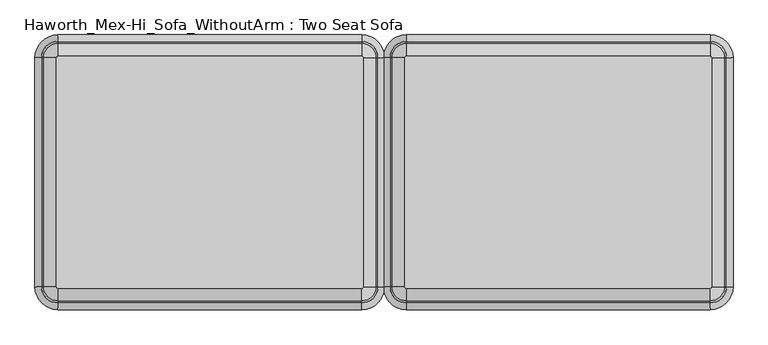
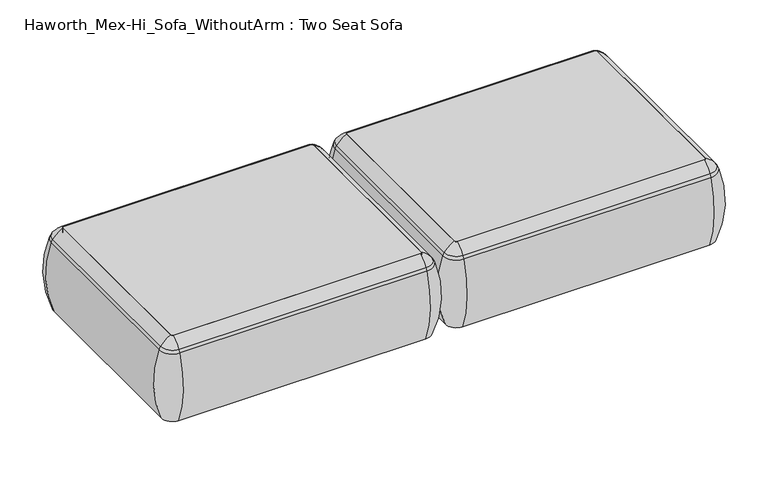
"""IFC4 building model written with IfcOpenShell, lengths in millimetres: furniture geometry, Haworth_Mex-Hi_Sofa_WithoutArm : Two Seat Sofa."""

from ifc_helpers import new_model, si_unit, point, frame, frame_2d, origin, place, context, project, spatial, polyline, circle_curve, ellipse_curve, trimmed, segment, composite_curve, outline, extrude, source, transform, mapped, element, save
from ifc_brep_helpers import plane_surface, cylinder_surface, revolved_surface, advanced_brep


def haworth_mex_hi_sofa_withoutarm_two_seat_sofa_d5e577bb(model_context):
    return source(origin(), model_context, "Body", "SolidModel", [
        advanced_brep(
        [(-103.5651735, -680.3856623, 390.3914007), (-98.2853663, -685.6654695, 390.3914007), (-98.2853663, -685.6654695, 123.9999984), (-103.5651735, -680.3856623, 123.9999984), (-132.2532177, -680.3856623, 123.9999984), (-98.2853663, -714.3535137, 123.9999984), (-98.2853663, -722.0329787, 353.7769053), (-139.9326827, -680.3856623, 353.7769053), (-103.5651735, -92.2092577, 123.9999984), (-103.5651735, -92.2092577, 390.3914007), (-139.9326827, -92.2092577, 353.7769053), (-132.2532177, -92.2092577, 123.9999984), (-98.2853663, -86.9294504, 390.3914007), (-98.2853663, -86.9294504, 123.9999984), (-98.2853663, -58.2414063, 123.9999984), (-98.2853663, -50.5619412, 353.7769053), (681.4946337, -86.9294504, 123.9999984), (681.4946337, -86.9294504, 390.3914007), (681.4946337, -50.5619412, 353.7769053), (681.4946337, -58.2414063, 123.9999984), (686.774441, -92.2092577, 390.3914007), (686.774441, -92.2092577, 123.9999984), (715.4624852, -92.2092577, 123.9999984), (723.1419502, -92.2092577, 353.7769053), (686.774441, -680.3856623, 123.9999984), (686.774441, -680.3856623, 390.3914007), (723.1419502, -680.3856623, 353.7769053), (715.4624852, -680.3856623, 123.9999984), (681.4946337, -685.6654695, 390.3914007), (681.4946337, -685.6654695, 123.9999984), (681.4946337, -714.3535137, 123.9999984), (681.4946337, -722.0329787, 353.7769053), (-134.7142228, -680.3856623, 363.6402875), (-98.2853663, -716.8145188, 363.6402875), (-134.7142228, -92.2092577, 363.6402875), (-98.2853663, -55.7804011, 363.6402875), (681.4946337, -55.7804011, 363.6402875), (717.9234903, -92.2092577, 363.6402875), (717.9234903, -680.3856623, 363.6402875), (681.4946337, -716.8145188, 363.6402875)],
        [
            (0, 1, circle_curve(frame((-98.2853663, -680.3856623, 390.3914007), z_axis=(0.0, 0.0, 1.0), x_axis=(0.0, -1.0, 0.0)), 5.2798073)),
            (1, 2),
            (2, 3, circle_curve(frame((-98.2853663, -680.3856623, 123.9999984), z_axis=(0.0, 0.0, -1.0), x_axis=(0.0, -1.0, 0.0)), 5.2798073)),
            (3, 0),
            (4, 5, circle_curve(frame((-98.2853663, -680.3856623, 123.9999984), z_axis=(0.0, 0.0, 1.0), x_axis=(0.0, -1.0, 0.0)), 33.9678514)),
            (5, 6, circle_curve(frame((-98.2853663, -417.9792297, 248.9220234), z_axis=(-1.0, 0.0, 0.0), x_axis=(0.0, -1.0, 0.0)), 321.625914)),
            (6, 7, circle_curve(frame((-98.2853663, -680.3856623, 353.7769053), z_axis=(0.0, 0.0, -1.0), x_axis=(0.0, -1.0, 0.0)), 41.6473165)),
            (7, 4, circle_curve(frame((164.1210663, -680.3856623, 248.9220234), z_axis=(0.0, -1.0, 0.0), x_axis=(-1.0, 0.0, 0.0)), 321.625914)),
            (3, 8),
            (8, 9),
            (9, 0),
            (7, 10),
            (10, 11, circle_curve(frame((164.1210663, -92.2092577, 248.9220234), z_axis=(0.0, -1.0, 0.0), x_axis=(-1.0, 0.0, 0.0)), 321.625914)),
            (11, 4),
            (12, 9, circle_curve(frame((-98.2853663, -92.2092577, 390.3914007), z_axis=(0.0, 0.0, 1.0), x_axis=(-1.0, 0.0, 0.0)), 5.2798073)),
            (8, 13, circle_curve(frame((-98.2853663, -92.2092577, 123.9999984), z_axis=(0.0, 0.0, -1.0), x_axis=(-1.0, 0.0, 0.0)), 5.2798073)),
            (13, 12),
            (14, 11, circle_curve(frame((-98.2853663, -92.2092577, 123.9999984), z_axis=(0.0, 0.0, 1.0), x_axis=(-1.0, 0.0, 0.0)), 33.9678514)),
            (10, 15, circle_curve(frame((-98.2853663, -92.2092577, 353.7769053), z_axis=(0.0, 0.0, -1.0), x_axis=(-1.0, 0.0, 0.0)), 41.6473165)),
            (15, 14, circle_curve(frame((-98.2853663, -354.6156902, 248.9220234), z_axis=(-1.0, 0.0, 0.0), x_axis=(0.0, 1.0, 0.0)), 321.625914)),
            (13, 16),
            (16, 17),
            (17, 12),
            (15, 18),
            (18, 19, circle_curve(frame((681.4946337, -354.6156902, 248.9220234), z_axis=(-1.0, 0.0, 0.0), x_axis=(0.0, 1.0, 0.0)), 321.625914)),
            (19, 14),
            (20, 17, circle_curve(frame((681.4946337, -92.2092577, 390.3914007), z_axis=(0.0, 0.0, 1.0), x_axis=(0.0, 1.0, 0.0)), 5.2798073)),
            (16, 21, circle_curve(frame((681.4946337, -92.2092577, 123.9999984), z_axis=(0.0, 0.0, -1.0), x_axis=(0.0, 1.0, 0.0)), 5.2798073)),
            (21, 20),
            (22, 19, circle_curve(frame((681.4946337, -92.2092577, 123.9999984), z_axis=(0.0, 0.0, 1.0), x_axis=(0.0, 1.0, 0.0)), 33.9678514)),
            (18, 23, circle_curve(frame((681.4946337, -92.2092577, 353.7769053), z_axis=(0.0, 0.0, -1.0), x_axis=(0.0, 1.0, 0.0)), 41.6473165)),
            (23, 22, circle_curve(frame((419.0882012, -92.2092577, 248.9220234), z_axis=(0.0, 1.0, 0.0), x_axis=(1.0, 0.0, 0.0)), 321.625914)),
            (21, 24),
            (24, 25),
            (25, 20),
            (23, 26),
            (26, 27, circle_curve(frame((419.0882012, -680.3856623, 248.9220234), z_axis=(0.0, 1.0, 0.0), x_axis=(1.0, 0.0, 0.0)), 321.625914)),
            (27, 22),
            (28, 25, circle_curve(frame((681.4946337, -680.3856623, 390.3914007), z_axis=(0.0, 0.0, 1.0), x_axis=(1.0, 0.0, 0.0)), 5.2798073)),
            (24, 29, circle_curve(frame((681.4946337, -680.3856623, 123.9999984), z_axis=(0.0, 0.0, -1.0), x_axis=(1.0, 0.0, 0.0)), 5.2798073)),
            (29, 28),
            (30, 27, circle_curve(frame((681.4946337, -680.3856623, 123.9999984), z_axis=(0.0, 0.0, 1.0), x_axis=(1.0, 0.0, 0.0)), 33.9678514)),
            (26, 31, circle_curve(frame((681.4946337, -680.3856623, 353.7769053), z_axis=(0.0, 0.0, -1.0), x_axis=(1.0, 0.0, 0.0)), 41.6473165)),
            (31, 30, circle_curve(frame((681.4946337, -417.9792297, 248.9220234), z_axis=(1.0, 0.0, 0.0), x_axis=(0.0, -1.0, 0.0)), 321.625914)),
            (30, 5),
            (2, 29),
            (1, 28),
            (31, 6),
            (32, 33, circle_curve(frame((-98.2853663, -680.3856623, 363.6402875), z_axis=(0.0, 0.0, 1.0), x_axis=(0.0, -1.0, 0.0)), 36.4288566)),
            (33, 1, circle_curve(frame((-98.2853663, -641.43285, 307.3762868), z_axis=(-1.0, 0.0, 0.0), x_axis=(0.0, -1.0, 0.0)), 94.0639876)),
            (0, 32, circle_curve(frame((-59.332554, -680.3856623, 307.3762868), z_axis=(0.0, -1.0, 0.0), x_axis=(-1.0, 0.0, 0.0)), 94.0639876)),
            (6, 33, circle_curve(frame((-98.2853663, -687.7682596, 341.9604975), z_axis=(-1.0, 0.0, 0.0), x_axis=(0.0, -1.0, 0.0)), 36.2449785)),
            (32, 7, circle_curve(frame((-105.6679637, -680.3856623, 341.9604975), z_axis=(0.0, -1.0, 0.0), x_axis=(-1.0, 0.0, 0.0)), 36.2449785)),
            (9, 34, circle_curve(frame((-59.332554, -92.2092577, 307.3762868), z_axis=(0.0, -1.0, 0.0), x_axis=(-1.0, 0.0, 0.0)), 94.0639876)),
            (34, 32),
            (34, 10, circle_curve(frame((-105.6679637, -92.2092577, 341.9604975), z_axis=(0.0, -1.0, 0.0), x_axis=(-1.0, 0.0, 0.0)), 36.2449785)),
            (35, 34, circle_curve(frame((-98.2853663, -92.2092577, 363.6402875), z_axis=(0.0, 0.0, 1.0), x_axis=(-1.0, 0.0, 0.0)), 36.4288566)),
            (12, 35, circle_curve(frame((-98.2853663, -131.1620699, 307.3762868), z_axis=(-1.0, 0.0, 0.0), x_axis=(0.0, 1.0, 0.0)), 94.0639876)),
            (35, 15, circle_curve(frame((-98.2853663, -84.8266603, 341.9604975), z_axis=(-1.0, 0.0, 0.0), x_axis=(0.0, 1.0, 0.0)), 36.2449785)),
            (17, 36, circle_curve(frame((681.4946337, -131.1620699, 307.3762868), z_axis=(-1.0, 0.0, 0.0), x_axis=(0.0, 1.0, 0.0)), 94.0639876)),
            (36, 35),
            (36, 18, circle_curve(frame((681.4946337, -84.8266603, 341.9604975), z_axis=(-1.0, 0.0, 0.0), x_axis=(0.0, 1.0, 0.0)), 36.2449785)),
            (37, 36, circle_curve(frame((681.4946337, -92.2092577, 363.6402875), z_axis=(0.0, 0.0, 1.0), x_axis=(0.0, 1.0, 0.0)), 36.4288566)),
            (20, 37, circle_curve(frame((642.5418215, -92.2092577, 307.3762868), z_axis=(0.0, 1.0, 0.0), x_axis=(1.0, 0.0, 0.0)), 94.0639876)),
            (37, 23, circle_curve(frame((688.8772311, -92.2092577, 341.9604975), z_axis=(0.0, 1.0, 0.0), x_axis=(1.0, 0.0, 0.0)), 36.2449785)),
            (25, 38, circle_curve(frame((642.5418215, -680.3856623, 307.3762868), z_axis=(0.0, 1.0, 0.0), x_axis=(1.0, 0.0, 0.0)), 94.0639876)),
            (38, 37),
            (38, 26, circle_curve(frame((688.8772311, -680.3856623, 341.9604975), z_axis=(0.0, 1.0, 0.0), x_axis=(1.0, 0.0, 0.0)), 36.2449785)),
            (39, 38, circle_curve(frame((681.4946337, -680.3856623, 363.6402875), z_axis=(0.0, 0.0, 1.0), x_axis=(1.0, 0.0, 0.0)), 36.4288566)),
            (28, 39, circle_curve(frame((681.4946337, -641.43285, 307.3762868), z_axis=(1.0, 0.0, 0.0), x_axis=(0.0, -1.0, 0.0)), 94.0639876)),
            (39, 31, circle_curve(frame((681.4946337, -687.7682596, 341.9604975), z_axis=(1.0, 0.0, 0.0), x_axis=(0.0, -1.0, 0.0)), 36.2449785)),
            (33, 39),
        ],
        [
            revolved_surface(polyline([(-98.2853663, -685.6654696, 123.9999984), (-98.2853663, -685.6654696, 390.3914007)]), (-98.2853663, -680.3856623, 0.0), (0.0, 0.0, -1.0)),
            revolved_surface(trimmed(ellipse_curve(frame((-98.2853663, -417.9792297, 248.9220234), z_axis=(1.0, 0.0, 0.0), x_axis=(0.0, -1.0, 0.0)), 321.625914, 321.625914), [point((-98.2853663, -722.0329787, 353.7769053))], [point((-98.2853663, -714.3535137, 123.9999984))], True, "CARTESIAN"), (-98.2853663, -680.3856623, 0.0), (0.0, 0.0, -1.0)),
            plane_surface(frame((-103.5651735, -680.3856623, 123.9999984), z_axis=(1.0, 0.0, 0.0), x_axis=(0.0, 1.0, 0.0))),
            cylinder_surface(frame((164.1210663, -680.3856623, 248.9220234), z_axis=(0.0, -1.0, 0.0), x_axis=(-1.0, 0.0, 0.0)), 321.625914),
            revolved_surface(polyline([(-103.56517360000001, -92.2092577, 123.9999984), (-103.56517360000001, -92.2092577, 390.3914007)]), (-98.2853663, -92.2092577, 0.0), (0.0, 0.0, -1.0)),
            revolved_surface(trimmed(ellipse_curve(frame((164.1210663, -92.2092577, 248.9220234), z_axis=(0.0, -1.0, 0.0), x_axis=(-1.0, 0.0, 0.0)), 321.625914, 321.625914), [point((-139.9326827, -92.2092577, 353.7769053))], [point((-132.2532177, -92.2092577, 123.9999984))], True, "CARTESIAN"), (-98.2853663, -92.2092577, 0.0), (0.0, 0.0, -1.0)),
            plane_surface(frame((-98.2853663, -86.9294504, 123.9999984), z_axis=(0.0, -1.0, 0.0), x_axis=(1.0, 0.0, 0.0))),
            cylinder_surface(frame((-98.2853663, -354.6156902, 248.9220234), z_axis=(-1.0, 0.0, 0.0), x_axis=(0.0, 1.0, 0.0)), 321.625914),
            revolved_surface(polyline([(681.4946337, -86.9294504, 123.9999984), (681.4946337, -86.9294504, 390.3914007)]), (681.4946337, -92.2092577, 0.0), (0.0, 0.0, -1.0)),
            revolved_surface(trimmed(ellipse_curve(frame((681.4946337, -354.6156902, 248.9220234), z_axis=(-1.0, 0.0, 0.0), x_axis=(0.0, 1.0, 0.0)), 321.625914, 321.625914), [point((681.4946337, -50.5619412, 353.7769053))], [point((681.4946337, -58.2414063, 123.9999984))], True, "CARTESIAN"), (681.4946337, -92.2092577, 0.0), (0.0, 0.0, -1.0)),
            plane_surface(frame((686.774441, -92.2092577, 123.9999984), z_axis=(-1.0, 0.0, 0.0), x_axis=(0.0, -1.0, 0.0))),
            cylinder_surface(frame((419.0882012, -92.2092577, 248.9220234), z_axis=(0.0, 1.0, 0.0), x_axis=(1.0, 0.0, 0.0)), 321.625914),
            revolved_surface(polyline([(686.774441, -680.3856623, 123.9999984), (686.774441, -680.3856623, 390.3914007)]), (681.4946337, -680.3856623, 0.0), (0.0, 0.0, -1.0)),
            revolved_surface(trimmed(ellipse_curve(frame((419.0882012, -680.3856623, 248.9220234), z_axis=(0.0, 1.0, 0.0), x_axis=(1.0, 0.0, 0.0)), 321.625914, 321.625914), [point((723.1419502, -680.3856623, 353.7769053))], [point((715.4624852, -680.3856623, 123.9999984))], True, "CARTESIAN"), (681.4946337, -680.3856623, 0.0), (0.0, 0.0, -1.0)),
            plane_surface(frame((681.4946337, -714.3535137, 123.9999984), z_axis=(0.0, 0.0, -1.0), x_axis=(-1.0, 0.0, 0.0))),
            plane_surface(frame((681.4946337, -685.6654695, 123.9999984), z_axis=(0.0, 1.0, 0.0), x_axis=(-1.0, 0.0, 0.0))),
            cylinder_surface(frame((681.4946337, -417.9792297, 248.9220234), z_axis=(1.0, 0.0, 0.0), x_axis=(0.0, -1.0, 0.0)), 321.625914),
            revolved_surface(trimmed(ellipse_curve(frame((-98.2853663, -641.43285, 307.3762868), z_axis=(1.0, 0.0, 0.0), x_axis=(0.0, -1.0, 0.0)), 94.0639876, 94.0639876), [point((-98.2853663, -685.6654695, 390.3914007))], [point((-98.2853663, -716.8145188, 363.6402875))], True, "CARTESIAN"), (-98.2853663, -680.3856623, 0.0), (0.0, 0.0, -1.0)),
            revolved_surface(trimmed(ellipse_curve(frame((-98.2853663, -687.7682596, 341.9604975), z_axis=(1.0, 0.0, 0.0), x_axis=(0.0, -1.0, 0.0)), 36.2449785, 36.2449785), [point((-98.2853663, -716.8145188, 363.6402875))], [point((-98.2853663, -722.0329787, 353.7769053))], True, "CARTESIAN"), (-98.2853663, -680.3856623, 0.0), (0.0, 0.0, -1.0)),
            cylinder_surface(frame((-59.332554, -680.3856623, 307.3762868), z_axis=(0.0, -1.0, 0.0), x_axis=(-1.0, 0.0, 0.0)), 94.0639876),
            cylinder_surface(frame((-105.6679637, -680.3856623, 341.9604975), z_axis=(0.0, -1.0, 0.0), x_axis=(-1.0, 0.0, 0.0)), 36.2449785),
            revolved_surface(trimmed(ellipse_curve(frame((-59.332554, -92.2092577, 307.3762868), z_axis=(0.0, -1.0, 0.0), x_axis=(-1.0, 0.0, 0.0)), 94.0639876, 94.0639876), [point((-103.5651735, -92.2092577, 390.3914007))], [point((-134.7142228, -92.2092577, 363.6402875))], True, "CARTESIAN"), (-98.2853663, -92.2092577, 0.0), (0.0, 0.0, -1.0)),
            revolved_surface(trimmed(ellipse_curve(frame((-105.6679637, -92.2092577, 341.9604975), z_axis=(0.0, -1.0, 0.0), x_axis=(-1.0, 0.0, 0.0)), 36.2449785, 36.2449785), [point((-134.7142228, -92.2092577, 363.6402875))], [point((-139.9326827, -92.2092577, 353.7769053))], True, "CARTESIAN"), (-98.2853663, -92.2092577, 0.0), (0.0, 0.0, -1.0)),
            cylinder_surface(frame((-98.2853663, -131.1620699, 307.3762868), z_axis=(-1.0, 0.0, 0.0), x_axis=(0.0, 1.0, 0.0)), 94.0639876),
            cylinder_surface(frame((-98.2853663, -84.8266603, 341.9604975), z_axis=(-1.0, 0.0, 0.0), x_axis=(0.0, 1.0, 0.0)), 36.2449785),
            revolved_surface(trimmed(ellipse_curve(frame((681.4946337, -131.1620699, 307.3762868), z_axis=(-1.0, 0.0, 0.0), x_axis=(0.0, 1.0, 0.0)), 94.0639876, 94.0639876), [point((681.4946337, -86.9294504, 390.3914007))], [point((681.4946337, -55.7804011, 363.6402875))], True, "CARTESIAN"), (681.4946337, -92.2092577, 0.0), (0.0, 0.0, -1.0)),
            revolved_surface(trimmed(ellipse_curve(frame((681.4946337, -84.8266603, 341.9604975), z_axis=(-1.0, 0.0, 0.0), x_axis=(0.0, 1.0, 0.0)), 36.2449785, 36.2449785), [point((681.4946337, -55.7804011, 363.6402875))], [point((681.4946337, -50.5619412, 353.7769053))], True, "CARTESIAN"), (681.4946337, -92.2092577, 0.0), (0.0, 0.0, -1.0)),
            cylinder_surface(frame((642.5418215, -92.2092577, 307.3762868), z_axis=(0.0, 1.0, 0.0), x_axis=(1.0, 0.0, 0.0)), 94.0639876),
            cylinder_surface(frame((688.8772311, -92.2092577, 341.9604975), z_axis=(0.0, 1.0, 0.0), x_axis=(1.0, 0.0, 0.0)), 36.2449785),
            revolved_surface(trimmed(ellipse_curve(frame((642.5418215, -680.3856623, 307.3762868), z_axis=(0.0, 1.0, 0.0), x_axis=(1.0, 0.0, 0.0)), 94.0639876, 94.0639876), [point((686.774441, -680.3856623, 390.3914007))], [point((717.9234903, -680.3856623, 363.6402875))], True, "CARTESIAN"), (681.4946337, -680.3856623, 0.0), (0.0, 0.0, -1.0)),
            revolved_surface(trimmed(ellipse_curve(frame((688.8772311, -680.3856623, 341.9604975), z_axis=(0.0, 1.0, 0.0), x_axis=(1.0, 0.0, 0.0)), 36.2449785, 36.2449785), [point((717.9234903, -680.3856623, 363.6402875))], [point((723.1419502, -680.3856623, 353.7769053))], True, "CARTESIAN"), (681.4946337, -680.3856623, 0.0), (0.0, 0.0, -1.0)),
            cylinder_surface(frame((681.4946337, -641.43285, 307.3762868), z_axis=(1.0, 0.0, 0.0), x_axis=(0.0, -1.0, 0.0)), 94.0639876),
            cylinder_surface(frame((681.4946337, -687.7682596, 341.9604975), z_axis=(1.0, 0.0, 0.0), x_axis=(0.0, -1.0, 0.0)), 36.2449785),
        ],
        [
            (0, [[1, 2, 3, 4]]),
            (1, [[5, 6, 7, 8]]),
            (2, [[-4, 9, 10, 11]]),
            (3, [[-8, 12, 13, 14]]),
            (4, [[15, -10, 16, 17]]),
            (5, [[18, -13, 19, 20]]),
            (6, [[-17, 21, 22, 23]]),
            (7, [[-20, 24, 25, 26]]),
            (8, [[27, -22, 28, 29]]),
            (9, [[30, -25, 31, 32]]),
            (10, [[-29, 33, 34, 35]]),
            (11, [[-32, 36, 37, 38]]),
            (12, [[39, -34, 40, 41]]),
            (13, [[42, -37, 43, 44]]),
            (14, [[-38, -42, 45, -5, -14, -18, -26, -30], [46, -40, -33, -28, -21, -16, -9, -3]]),
            (15, [[-41, -46, -2, 47]]),
            (16, [[-44, 48, -6, -45]]),
            (17, [[49, 50, -1, 51]]),
            (18, [[-7, 52, -49, 53]]),
            (19, [[-51, -11, 54, 55]]),
            (20, [[-53, -55, 56, -12]]),
            (21, [[57, -54, -15, 58]]),
            (22, [[-19, -56, -57, 59]]),
            (23, [[-58, -23, 60, 61]]),
            (24, [[-59, -61, 62, -24]]),
            (25, [[63, -60, -27, 64]]),
            (26, [[-31, -62, -63, 65]]),
            (27, [[-64, -35, 66, 67]]),
            (28, [[-65, -67, 68, -36]]),
            (29, [[69, -66, -39, 70]]),
            (30, [[-43, -68, -69, 71]]),
            (31, [[-70, -47, -50, 72]]),
            (32, [[-71, -72, -52, -48]]),
        ],
    ),
        extrude(outline(composite_curve([segment(trimmed(circle_curve(frame_2d((681.4946337, -680.3856623)), 5.2798073), [point((686.774441, -680.3856623))], [point((681.4946337, -685.6654695))], False, "CARTESIAN"), True, "CONTINUOUS"), segment(polyline([(681.4946337, -685.6654695), (-98.2853663, -685.6654695)]), True, "CONTINUOUS"), segment(trimmed(circle_curve(frame_2d((-98.2853663, -680.3856623)), 5.2798073), [point((-98.2853663, -685.6654695))], [point((-103.5651735, -680.3856623))], False, "CARTESIAN"), True, "CONTINUOUS"), segment(polyline([(-103.5651735, -680.3856623), (-103.5651735, -92.2092577)]), True, "CONTINUOUS"), segment(trimmed(circle_curve(frame_2d((-98.2853663, -92.2092577)), 5.2798073), [point((-103.5651735, -92.2092577))], [point((-98.2853663, -86.9294504))], False, "CARTESIAN"), True, "CONTINUOUS"), segment(polyline([(-98.2853663, -86.9294504), (681.4946337, -86.9294504)]), True, "CONTINUOUS"), segment(trimmed(circle_curve(frame_2d((681.4946337, -92.2092577)), 5.2798073), [point((681.4946337, -86.9294504))], [point((686.774441, -92.2092577))], False, "CARTESIAN"), True, "CONTINUOUS"), segment(polyline([(686.774441, -92.2092577), (686.774441, -680.3856623)]), True, "CONTINUOUS")], self_intersect=False)), frame((0.0, 0.0, 123.9999984), z_axis=(0.0, 0.0, 1.0), x_axis=(1.0, 0.0, 0.0)), (0.0, 0.0, 1.0), 266.3914023),
        advanced_brep(
        [(-997.6650173, -680.3856623, 390.3914007), (-992.38521, -685.6654695, 390.3914007), (-992.38521, -685.6654695, 123.9999984), (-997.6650173, -680.3856623, 123.9999984), (-1026.3530615, -680.3856623, 123.9999984), (-992.38521, -714.3535137, 123.9999984), (-992.38521, -722.0329787, 353.7769053), (-1034.0325265, -680.3856623, 353.7769053), (-997.6650173, -92.2092577, 123.9999984), (-997.6650173, -92.2092577, 390.3914007), (-1034.0325265, -92.2092577, 353.7769053), (-1026.3530615, -92.2092577, 123.9999984), (-992.38521, -86.9294504, 390.3914007), (-992.38521, -86.9294504, 123.9999984), (-992.38521, -58.2414063, 123.9999984), (-992.38521, -50.5619412, 353.7769053), (-212.60521, -86.9294504, 123.9999984), (-212.60521, -86.9294504, 390.3914007), (-212.60521, -50.5619412, 353.7769053), (-212.60521, -58.2414063, 123.9999984), (-207.3254028, -92.2092577, 390.3914007), (-207.3254028, -92.2092577, 123.9999984), (-178.6373586, -92.2092577, 123.9999984), (-170.9578936, -92.2092577, 353.7769053), (-207.3254028, -680.3856623, 123.9999984), (-207.3254028, -680.3856623, 390.3914007), (-170.9578936, -680.3856623, 353.7769053), (-178.6373586, -680.3856623, 123.9999984), (-212.60521, -685.6654695, 390.3914007), (-212.60521, -685.6654695, 123.9999984), (-212.60521, -714.3535137, 123.9999984), (-212.60521, -722.0329787, 353.7769053), (-1028.8140666, -680.3856623, 363.6402875), (-992.38521, -716.8145188, 363.6402875), (-1028.8140666, -92.2092577, 363.6402875), (-992.38521, -55.7804011, 363.6402875), (-212.60521, -55.7804011, 363.6402875), (-176.1763535, -92.2092577, 363.6402875), (-176.1763535, -680.3856623, 363.6402875), (-212.60521, -716.8145188, 363.6402875)],
        [
            (0, 1, circle_curve(frame((-992.38521, -680.3856623, 390.3914007), z_axis=(0.0, 0.0, 1.0), x_axis=(0.0, -1.0, 0.0)), 5.2798073)),
            (1, 2),
            (2, 3, circle_curve(frame((-992.38521, -680.3856623, 123.9999984), z_axis=(0.0, 0.0, -1.0), x_axis=(0.0, -1.0, 0.0)), 5.2798073)),
            (3, 0),
            (4, 5, circle_curve(frame((-992.38521, -680.3856623, 123.9999984), z_axis=(0.0, 0.0, 1.0), x_axis=(0.0, -1.0, 0.0)), 33.9678514)),
            (5, 6, circle_curve(frame((-992.38521, -417.9792297, 248.9220234), z_axis=(-1.0, 0.0, 0.0), x_axis=(0.0, -1.0, 0.0)), 321.625914)),
            (6, 7, circle_curve(frame((-992.38521, -680.3856623, 353.7769053), z_axis=(0.0, 0.0, -1.0), x_axis=(0.0, -1.0, 0.0)), 41.6473165)),
            (7, 4, circle_curve(frame((-729.9787775, -680.3856623, 248.9220234), z_axis=(0.0, -1.0, 0.0), x_axis=(-1.0, 0.0, 0.0)), 321.625914)),
            (3, 8),
            (8, 9),
            (9, 0),
            (7, 10),
            (10, 11, circle_curve(frame((-729.9787775, -92.2092577, 248.9220234), z_axis=(0.0, -1.0, 0.0), x_axis=(-1.0, 0.0, 0.0)), 321.625914)),
            (11, 4),
            (12, 9, circle_curve(frame((-992.38521, -92.2092577, 390.3914007), z_axis=(0.0, 0.0, 1.0), x_axis=(-1.0, 0.0, 0.0)), 5.2798073)),
            (8, 13, circle_curve(frame((-992.38521, -92.2092577, 123.9999984), z_axis=(0.0, 0.0, -1.0), x_axis=(-1.0, 0.0, 0.0)), 5.2798073)),
            (13, 12),
            (14, 11, circle_curve(frame((-992.38521, -92.2092577, 123.9999984), z_axis=(0.0, 0.0, 1.0), x_axis=(-1.0, 0.0, 0.0)), 33.9678514)),
            (10, 15, circle_curve(frame((-992.38521, -92.2092577, 353.7769053), z_axis=(0.0, 0.0, -1.0), x_axis=(-1.0, 0.0, 0.0)), 41.6473165)),
            (15, 14, circle_curve(frame((-992.38521, -354.6156902, 248.9220234), z_axis=(-1.0, 0.0, 0.0), x_axis=(0.0, 1.0, 0.0)), 321.625914)),
            (13, 16),
            (16, 17),
            (17, 12),
            (15, 18),
            (18, 19, circle_curve(frame((-212.60521, -354.6156902, 248.9220234), z_axis=(-1.0, 0.0, 0.0), x_axis=(0.0, 1.0, 0.0)), 321.625914)),
            (19, 14),
            (20, 17, circle_curve(frame((-212.60521, -92.2092577, 390.3914007), z_axis=(0.0, 0.0, 1.0), x_axis=(0.0, 1.0, 0.0)), 5.2798073)),
            (16, 21, circle_curve(frame((-212.60521, -92.2092577, 123.9999984), z_axis=(0.0, 0.0, -1.0), x_axis=(0.0, 1.0, 0.0)), 5.2798073)),
            (21, 20),
            (22, 19, circle_curve(frame((-212.60521, -92.2092577, 123.9999984), z_axis=(0.0, 0.0, 1.0), x_axis=(0.0, 1.0, 0.0)), 33.9678514)),
            (18, 23, circle_curve(frame((-212.60521, -92.2092577, 353.7769053), z_axis=(0.0, 0.0, -1.0), x_axis=(0.0, 1.0, 0.0)), 41.6473165)),
            (23, 22, circle_curve(frame((-475.0116426, -92.2092577, 248.9220234), z_axis=(0.0, 1.0, 0.0), x_axis=(1.0, 0.0, 0.0)), 321.625914)),
            (21, 24),
            (24, 25),
            (25, 20),
            (23, 26),
            (26, 27, circle_curve(frame((-475.0116426, -680.3856623, 248.9220234), z_axis=(0.0, 1.0, 0.0), x_axis=(1.0, 0.0, 0.0)), 321.625914)),
            (27, 22),
            (28, 25, circle_curve(frame((-212.60521, -680.3856623, 390.3914007), z_axis=(0.0, 0.0, 1.0), x_axis=(1.0, 0.0, 0.0)), 5.2798073)),
            (24, 29, circle_curve(frame((-212.60521, -680.3856623, 123.9999984), z_axis=(0.0, 0.0, -1.0), x_axis=(1.0, 0.0, 0.0)), 5.2798073)),
            (29, 28),
            (30, 27, circle_curve(frame((-212.60521, -680.3856623, 123.9999984), z_axis=(0.0, 0.0, 1.0), x_axis=(1.0, 0.0, 0.0)), 33.9678514)),
            (26, 31, circle_curve(frame((-212.60521, -680.3856623, 353.7769053), z_axis=(0.0, 0.0, -1.0), x_axis=(1.0, 0.0, 0.0)), 41.6473165)),
            (31, 30, circle_curve(frame((-212.60521, -417.9792297, 248.9220234), z_axis=(1.0, 0.0, 0.0), x_axis=(0.0, -1.0, 0.0)), 321.625914)),
            (30, 5),
            (2, 29),
            (1, 28),
            (31, 6),
            (32, 33, circle_curve(frame((-992.38521, -680.3856623, 363.6402875), z_axis=(0.0, 0.0, 1.0), x_axis=(0.0, -1.0, 0.0)), 36.4288566)),
            (33, 1, circle_curve(frame((-992.38521, -641.43285, 307.3762868), z_axis=(-1.0, 0.0, 0.0), x_axis=(0.0, -1.0, 0.0)), 94.0639876)),
            (0, 32, circle_curve(frame((-953.4323978, -680.3856623, 307.3762868), z_axis=(0.0, -1.0, 0.0), x_axis=(-1.0, 0.0, 0.0)), 94.0639876)),
            (6, 33, circle_curve(frame((-992.38521, -687.7682596, 341.9604975), z_axis=(-1.0, 0.0, 0.0), x_axis=(0.0, -1.0, 0.0)), 36.2449785)),
            (32, 7, circle_curve(frame((-999.7678074, -680.3856623, 341.9604975), z_axis=(0.0, -1.0, 0.0), x_axis=(-1.0, 0.0, 0.0)), 36.2449785)),
            (9, 34, circle_curve(frame((-953.4323978, -92.2092577, 307.3762868), z_axis=(0.0, -1.0, 0.0), x_axis=(-1.0, 0.0, 0.0)), 94.0639876)),
            (34, 32),
            (34, 10, circle_curve(frame((-999.7678074, -92.2092577, 341.9604975), z_axis=(0.0, -1.0, 0.0), x_axis=(-1.0, 0.0, 0.0)), 36.2449785)),
            (35, 34, circle_curve(frame((-992.38521, -92.2092577, 363.6402875), z_axis=(0.0, 0.0, 1.0), x_axis=(-1.0, 0.0, 0.0)), 36.4288566)),
            (12, 35, circle_curve(frame((-992.38521, -131.1620699, 307.3762868), z_axis=(-1.0, 0.0, 0.0), x_axis=(0.0, 1.0, 0.0)), 94.0639876)),
            (35, 15, circle_curve(frame((-992.38521, -84.8266603, 341.9604975), z_axis=(-1.0, 0.0, 0.0), x_axis=(0.0, 1.0, 0.0)), 36.2449785)),
            (17, 36, circle_curve(frame((-212.60521, -131.1620699, 307.3762868), z_axis=(-1.0, 0.0, 0.0), x_axis=(0.0, 1.0, 0.0)), 94.0639876)),
            (36, 35),
            (36, 18, circle_curve(frame((-212.60521, -84.8266603, 341.9604975), z_axis=(-1.0, 0.0, 0.0), x_axis=(0.0, 1.0, 0.0)), 36.2449785)),
            (37, 36, circle_curve(frame((-212.60521, -92.2092577, 363.6402875), z_axis=(0.0, 0.0, 1.0), x_axis=(0.0, 1.0, 0.0)), 36.4288566)),
            (20, 37, circle_curve(frame((-251.5580223, -92.2092577, 307.3762868), z_axis=(0.0, 1.0, 0.0), x_axis=(1.0, 0.0, 0.0)), 94.0639876)),
            (37, 23, circle_curve(frame((-205.2226126, -92.2092577, 341.9604975), z_axis=(0.0, 1.0, 0.0), x_axis=(1.0, 0.0, 0.0)), 36.2449785)),
            (25, 38, circle_curve(frame((-251.5580223, -680.3856623, 307.3762868), z_axis=(0.0, 1.0, 0.0), x_axis=(1.0, 0.0, 0.0)), 94.0639876)),
            (38, 37),
            (38, 26, circle_curve(frame((-205.2226126, -680.3856623, 341.9604975), z_axis=(0.0, 1.0, 0.0), x_axis=(1.0, 0.0, 0.0)), 36.2449785)),
            (39, 38, circle_curve(frame((-212.60521, -680.3856623, 363.6402875), z_axis=(0.0, 0.0, 1.0), x_axis=(1.0, 0.0, 0.0)), 36.4288566)),
            (28, 39, circle_curve(frame((-212.60521, -641.43285, 307.3762868), z_axis=(1.0, 0.0, 0.0), x_axis=(0.0, -1.0, 0.0)), 94.0639876)),
            (39, 31, circle_curve(frame((-212.60521, -687.7682596, 341.9604975), z_axis=(1.0, 0.0, 0.0), x_axis=(0.0, -1.0, 0.0)), 36.2449785)),
            (33, 39),
        ],
        [
            revolved_surface(polyline([(-992.38521, -685.6654696, 123.9999984), (-992.38521, -685.6654696, 390.3914007)]), (-992.38521, -680.3856623, 0.0), (0.0, 0.0, -1.0)),
            revolved_surface(trimmed(ellipse_curve(frame((-992.38521, -417.9792297, 248.9220234), z_axis=(1.0, 0.0, 0.0), x_axis=(0.0, -1.0, 0.0)), 321.625914, 321.625914), [point((-992.38521, -722.0329787, 353.7769053))], [point((-992.38521, -714.3535137, 123.9999984))], True, "CARTESIAN"), (-992.38521, -680.3856623, 0.0), (0.0, 0.0, -1.0)),
            plane_surface(frame((-997.6650173, -680.3856623, 123.9999984), z_axis=(1.0, 0.0, 0.0), x_axis=(0.0, 1.0, 0.0))),
            cylinder_surface(frame((-729.9787775, -680.3856623, 248.9220234), z_axis=(0.0, -1.0, 0.0), x_axis=(-1.0, 0.0, 0.0)), 321.625914),
            revolved_surface(polyline([(-997.6650173, -92.2092577, 123.9999984), (-997.6650173, -92.2092577, 390.3914007)]), (-992.38521, -92.2092577, 0.0), (0.0, 0.0, -1.0)),
            revolved_surface(trimmed(ellipse_curve(frame((-729.9787775, -92.2092577, 248.9220234), z_axis=(0.0, -1.0, 0.0), x_axis=(-1.0, 0.0, 0.0)), 321.625914, 321.625914), [point((-1034.0325265, -92.2092577, 353.7769053))], [point((-1026.3530615, -92.2092577, 123.9999984))], True, "CARTESIAN"), (-992.38521, -92.2092577, 0.0), (0.0, 0.0, -1.0)),
            plane_surface(frame((-992.38521, -86.9294504, 123.9999984), z_axis=(0.0, -1.0, 0.0), x_axis=(1.0, 0.0, 0.0))),
            cylinder_surface(frame((-992.38521, -354.6156902, 248.9220234), z_axis=(-1.0, 0.0, 0.0), x_axis=(0.0, 1.0, 0.0)), 321.625914),
            revolved_surface(polyline([(-212.60521, -86.9294504, 123.9999984), (-212.60521, -86.9294504, 390.3914007)]), (-212.60521, -92.2092577, 0.0), (0.0, 0.0, -1.0)),
            revolved_surface(trimmed(ellipse_curve(frame((-212.60521, -354.6156902, 248.9220234), z_axis=(-1.0, 0.0, 0.0), x_axis=(0.0, 1.0, 0.0)), 321.625914, 321.625914), [point((-212.60521, -50.5619412, 353.7769053))], [point((-212.60521, -58.2414063, 123.9999984))], True, "CARTESIAN"), (-212.60521, -92.2092577, 0.0), (0.0, 0.0, -1.0)),
            plane_surface(frame((-207.3254028, -92.2092577, 123.9999984), z_axis=(-1.0, 0.0, 0.0), x_axis=(0.0, -1.0, 0.0))),
            cylinder_surface(frame((-475.0116426, -92.2092577, 248.9220234), z_axis=(0.0, 1.0, 0.0), x_axis=(1.0, 0.0, 0.0)), 321.625914),
            revolved_surface(polyline([(-207.3254027, -680.3856623, 123.9999984), (-207.3254027, -680.3856623, 390.3914007)]), (-212.60521, -680.3856623, 0.0), (0.0, 0.0, -1.0)),
            revolved_surface(trimmed(ellipse_curve(frame((-475.0116426, -680.3856623, 248.9220234), z_axis=(0.0, 1.0, 0.0), x_axis=(1.0, 0.0, 0.0)), 321.625914, 321.625914), [point((-170.9578936, -680.3856623, 353.7769053))], [point((-178.6373586, -680.3856623, 123.9999984))], True, "CARTESIAN"), (-212.60521, -680.3856623, 0.0), (0.0, 0.0, -1.0)),
            plane_surface(frame((-212.60521, -714.3535137, 123.9999984), z_axis=(0.0, 0.0, -1.0), x_axis=(-1.0, 0.0, 0.0))),
            plane_surface(frame((-212.60521, -685.6654695, 123.9999984), z_axis=(0.0, 1.0, 0.0), x_axis=(-1.0, 0.0, 0.0))),
            cylinder_surface(frame((-212.60521, -417.9792297, 248.9220234), z_axis=(1.0, 0.0, 0.0), x_axis=(0.0, -1.0, 0.0)), 321.625914),
            revolved_surface(trimmed(ellipse_curve(frame((-992.38521, -641.43285, 307.3762868), z_axis=(1.0, 0.0, 0.0), x_axis=(0.0, -1.0, 0.0)), 94.0639876, 94.0639876), [point((-992.38521, -685.6654695, 390.3914007))], [point((-992.38521, -716.8145188, 363.6402875))], True, "CARTESIAN"), (-992.38521, -680.3856623, 0.0), (0.0, 0.0, -1.0)),
            revolved_surface(trimmed(ellipse_curve(frame((-992.38521, -687.7682596, 341.9604975), z_axis=(1.0, 0.0, 0.0), x_axis=(0.0, -1.0, 0.0)), 36.2449785, 36.2449785), [point((-992.38521, -716.8145188, 363.6402875))], [point((-992.38521, -722.0329787, 353.7769053))], True, "CARTESIAN"), (-992.38521, -680.3856623, 0.0), (0.0, 0.0, -1.0)),
            cylinder_surface(frame((-953.4323978, -680.3856623, 307.3762868), z_axis=(0.0, -1.0, 0.0), x_axis=(-1.0, 0.0, 0.0)), 94.0639876),
            cylinder_surface(frame((-999.7678074, -680.3856623, 341.9604975), z_axis=(0.0, -1.0, 0.0), x_axis=(-1.0, 0.0, 0.0)), 36.2449785),
            revolved_surface(trimmed(ellipse_curve(frame((-953.4323978, -92.2092577, 307.3762868), z_axis=(0.0, -1.0, 0.0), x_axis=(-1.0, 0.0, 0.0)), 94.0639876, 94.0639876), [point((-997.6650173, -92.2092577, 390.3914007))], [point((-1028.8140666, -92.2092577, 363.6402875))], True, "CARTESIAN"), (-992.38521, -92.2092577, 0.0), (0.0, 0.0, -1.0)),
            revolved_surface(trimmed(ellipse_curve(frame((-999.7678074, -92.2092577, 341.9604975), z_axis=(0.0, -1.0, 0.0), x_axis=(-1.0, 0.0, 0.0)), 36.2449785, 36.2449785), [point((-1028.8140666, -92.2092577, 363.6402875))], [point((-1034.0325265, -92.2092577, 353.7769053))], True, "CARTESIAN"), (-992.38521, -92.2092577, 0.0), (0.0, 0.0, -1.0)),
            cylinder_surface(frame((-992.38521, -131.1620699, 307.3762868), z_axis=(-1.0, 0.0, 0.0), x_axis=(0.0, 1.0, 0.0)), 94.0639876),
            cylinder_surface(frame((-992.38521, -84.8266603, 341.9604975), z_axis=(-1.0, 0.0, 0.0), x_axis=(0.0, 1.0, 0.0)), 36.2449785),
            revolved_surface(trimmed(ellipse_curve(frame((-212.60521, -131.1620699, 307.3762868), z_axis=(-1.0, 0.0, 0.0), x_axis=(0.0, 1.0, 0.0)), 94.0639876, 94.0639876), [point((-212.60521, -86.9294504, 390.3914007))], [point((-212.60521, -55.7804011, 363.6402875))], True, "CARTESIAN"), (-212.60521, -92.2092577, 0.0), (0.0, 0.0, -1.0)),
            revolved_surface(trimmed(ellipse_curve(frame((-212.60521, -84.8266603, 341.9604975), z_axis=(-1.0, 0.0, 0.0), x_axis=(0.0, 1.0, 0.0)), 36.2449785, 36.2449785), [point((-212.60521, -55.7804011, 363.6402875))], [point((-212.60521, -50.5619412, 353.7769053))], True, "CARTESIAN"), (-212.60521, -92.2092577, 0.0), (0.0, 0.0, -1.0)),
            cylinder_surface(frame((-251.5580223, -92.2092577, 307.3762868), z_axis=(0.0, 1.0, 0.0), x_axis=(1.0, 0.0, 0.0)), 94.0639876),
            cylinder_surface(frame((-205.2226126, -92.2092577, 341.9604975), z_axis=(0.0, 1.0, 0.0), x_axis=(1.0, 0.0, 0.0)), 36.2449785),
            revolved_surface(trimmed(ellipse_curve(frame((-251.5580223, -680.3856623, 307.3762868), z_axis=(0.0, 1.0, 0.0), x_axis=(1.0, 0.0, 0.0)), 94.0639876, 94.0639876), [point((-207.3254028, -680.3856623, 390.3914007))], [point((-176.1763535, -680.3856623, 363.6402875))], True, "CARTESIAN"), (-212.60521, -680.3856623, 0.0), (0.0, 0.0, -1.0)),
            revolved_surface(trimmed(ellipse_curve(frame((-205.2226126, -680.3856623, 341.9604975), z_axis=(0.0, 1.0, 0.0), x_axis=(1.0, 0.0, 0.0)), 36.2449785, 36.2449785), [point((-176.1763535, -680.3856623, 363.6402875))], [point((-170.9578936, -680.3856623, 353.7769053))], True, "CARTESIAN"), (-212.60521, -680.3856623, 0.0), (0.0, 0.0, -1.0)),
            cylinder_surface(frame((-212.60521, -641.43285, 307.3762868), z_axis=(1.0, 0.0, 0.0), x_axis=(0.0, -1.0, 0.0)), 94.0639876),
            cylinder_surface(frame((-212.60521, -687.7682596, 341.9604975), z_axis=(1.0, 0.0, 0.0), x_axis=(0.0, -1.0, 0.0)), 36.2449785),
        ],
        [
            (0, [[1, 2, 3, 4]]),
            (1, [[5, 6, 7, 8]]),
            (2, [[-4, 9, 10, 11]]),
            (3, [[-8, 12, 13, 14]]),
            (4, [[15, -10, 16, 17]]),
            (5, [[18, -13, 19, 20]]),
            (6, [[-17, 21, 22, 23]]),
            (7, [[-20, 24, 25, 26]]),
            (8, [[27, -22, 28, 29]]),
            (9, [[30, -25, 31, 32]]),
            (10, [[-29, 33, 34, 35]]),
            (11, [[-32, 36, 37, 38]]),
            (12, [[39, -34, 40, 41]]),
            (13, [[42, -37, 43, 44]]),
            (14, [[-38, -42, 45, -5, -14, -18, -26, -30], [46, -40, -33, -28, -21, -16, -9, -3]]),
            (15, [[-41, -46, -2, 47]]),
            (16, [[-44, 48, -6, -45]]),
            (17, [[49, 50, -1, 51]]),
            (18, [[-7, 52, -49, 53]]),
            (19, [[-51, -11, 54, 55]]),
            (20, [[-53, -55, 56, -12]]),
            (21, [[57, -54, -15, 58]]),
            (22, [[-19, -56, -57, 59]]),
            (23, [[-58, -23, 60, 61]]),
            (24, [[-59, -61, 62, -24]]),
            (25, [[63, -60, -27, 64]]),
            (26, [[-31, -62, -63, 65]]),
            (27, [[-64, -35, 66, 67]]),
            (28, [[-65, -67, 68, -36]]),
            (29, [[69, -66, -39, 70]]),
            (30, [[-43, -68, -69, 71]]),
            (31, [[-70, -47, -50, 72]]),
            (32, [[-71, -72, -52, -48]]),
        ],
    ),
        extrude(outline(composite_curve([segment(trimmed(circle_curve(frame_2d((-212.60521, -680.3856623)), 5.2798073), [point((-207.3254028, -680.3856623))], [point((-212.60521, -685.6654695))], False, "CARTESIAN"), True, "CONTINUOUS"), segment(polyline([(-212.60521, -685.6654695), (-992.38521, -685.6654695)]), True, "CONTINUOUS"), segment(trimmed(circle_curve(frame_2d((-992.38521, -680.3856623)), 5.2798073), [point((-992.38521, -685.6654695))], [point((-997.6650173, -680.3856623))], False, "CARTESIAN"), True, "CONTINUOUS"), segment(polyline([(-997.6650173, -680.3856623), (-997.6650173, -92.2092577)]), True, "CONTINUOUS"), segment(trimmed(circle_curve(frame_2d((-992.38521, -92.2092577)), 5.2798073), [point((-997.6650173, -92.2092577))], [point((-992.38521, -86.9294504))], False, "CARTESIAN"), True, "CONTINUOUS"), segment(polyline([(-992.38521, -86.9294504), (-212.60521, -86.9294504)]), True, "CONTINUOUS"), segment(trimmed(circle_curve(frame_2d((-212.60521, -92.2092577)), 5.2798073), [point((-212.60521, -86.9294504))], [point((-207.3254028, -92.2092577))], False, "CARTESIAN"), True, "CONTINUOUS"), segment(polyline([(-207.3254028, -92.2092577), (-207.3254028, -680.3856623)]), True, "CONTINUOUS")], self_intersect=False)), frame((0.0, 0.0, 123.9999984), z_axis=(0.0, 0.0, 1.0), x_axis=(1.0, 0.0, 0.0)), (0.0, 0.0, 1.0), 266.3914023),
        advanced_brep(
        [(373.838792, -633.9963447, 98.611642), (369.6162038, -641.3100819, 98.611642), (370.0141527, -642.4761133, 98.611642), (385.8334234, -669.8758983, 98.611642), (386.6442569, -670.8035397, 98.611642), (395.0894355, -670.8035397, 98.611642), (395.8939637, -669.7137583, 98.611642), (411.9962168, -642.2119553, 98.611642), (412.1174938, -641.3100836, 98.611642), (407.8949039, -633.9963432, 98.611642), (406.6861204, -633.7579584, 98.611642), (375.047572, -633.7579584, 98.611642), (400.2397227, -648.9168654, 98.611642), (381.3347108, -648.9168654, 98.611642), (373.838792, -633.9963447, 88.6531552), (375.047572, -633.7579584, 88.6531552), (406.6861204, -633.7579584, 88.6531552), (407.8949039, -633.9963432, 88.6531552), (412.1174938, -641.3100836, 88.6531552), (411.9962168, -642.2119553, 88.6531552), (395.8939637, -669.7137583, 88.6531552), (395.0894355, -670.8035397, 88.6531552), (386.6442569, -670.8035397, 88.6531552), (385.8334234, -669.8758983, 88.6531552), (370.0141527, -642.4761133, 88.6531552), (369.6162038, -641.3100819, 88.6531552), (381.3347108, -648.9168654, 103.6569541), (400.2397227, -648.9168654, 103.6569541)],
        [
            (0, 1, circle_curve(frame((392.09828, -649.4142898, 98.611642), z_axis=(0.0, 0.0, 1.0), x_axis=(1.0, 0.0, 0.0)), 23.8981576)),
            (1, 2, circle_curve(frame((370.5437624, -641.6444428, 98.611642), z_axis=(0.0, 0.0, 1.0), x_axis=(1.0, 0.0, 0.0)), 0.9859828)),
            (2, 3, circle_curve(frame((351.6187827, -671.3632053, 98.611642), z_axis=(0.0, 0.0, -1.0), x_axis=(1.0, 0.0, 0.0)), 34.246952)),
            (3, 4, circle_curve(frame((386.8184668, -669.8330785, 98.611642), z_axis=(0.0, 0.0, 1.0), x_axis=(1.0, 0.0, 0.0)), 0.9859736)),
            (4, 5, circle_curve(frame((390.8668462, -647.2809943, 98.611642), z_axis=(0.0, 0.0, 1.0), x_axis=(1.0, 0.0, 0.0)), 23.8985439)),
            (5, 6, circle_curve(frame((394.9152236, -669.8330671, 98.611642), z_axis=(0.0, 0.0, 1.0), x_axis=(1.0, 0.0, 0.0)), 0.9859852)),
            (6, 7, circle_curve(frame((430.1156373, -671.285662, 98.611642), z_axis=(0.0, 0.0, -1.0), x_axis=(1.0, 0.0, 0.0)), 34.2577557)),
            (7, 8, circle_curve(frame((411.1899324, -641.644442, 98.611642), z_axis=(0.0, 0.0, 1.0), x_axis=(1.0, 0.0, 0.0)), 0.9859847)),
            (8, 9, circle_curve(frame((389.6358034, -649.4140667, 98.611642), z_axis=(0.0, 0.0, 1.0), x_axis=(1.0, 0.0, 0.0)), 23.8977184)),
            (9, 10, circle_curve(frame((407.1415576, -634.632458, 98.611642), z_axis=(0.0, 0.0, 1.0), x_axis=(1.0, 0.0, 0.0)), 0.9859881)),
            (10, 11, circle_curve(frame((390.8668462, -603.3828618, 98.611642), z_axis=(0.0, 0.0, -1.0), x_axis=(1.0, 0.0, 0.0)), 34.2475683)),
            (11, 0, circle_curve(frame((374.5921369, -634.632454, 98.611642), z_axis=(0.0, 0.0, 1.0), x_axis=(1.0, 0.0, 0.0)), 0.9859835)),
            (12, 13, circle_curve(frame((390.7872168, -648.9168654, 98.611642), z_axis=(0.0, 0.0, -1.0), x_axis=(1.0, 0.0, 0.0)), 9.452506)),
            (13, 12, circle_curve(frame((390.7872168, -648.9168654, 98.611642), z_axis=(0.0, 0.0, -1.0), x_axis=(1.0, 0.0, 0.0)), 9.452506)),
            (14, 15, circle_curve(frame((374.5921369, -634.632454, 88.6531552), z_axis=(0.0, 0.0, -1.0), x_axis=(1.0, 0.0, 0.0)), 0.9859835)),
            (15, 16, circle_curve(frame((390.8668462, -603.3828618, 88.6531552), z_axis=(0.0, 0.0, 1.0), x_axis=(1.0, 0.0, 0.0)), 34.2475683)),
            (16, 17, circle_curve(frame((407.1415576, -634.632458, 88.6531552), z_axis=(0.0, 0.0, -1.0), x_axis=(1.0, 0.0, 0.0)), 0.9859881)),
            (17, 18, circle_curve(frame((389.6358034, -649.4140667, 88.6531552), z_axis=(0.0, 0.0, -1.0), x_axis=(1.0, 0.0, 0.0)), 23.8977184)),
            (18, 19, circle_curve(frame((411.1899324, -641.644442, 88.6531552), z_axis=(0.0, 0.0, -1.0), x_axis=(1.0, 0.0, 0.0)), 0.9859847)),
            (19, 20, circle_curve(frame((430.1156373, -671.285662, 88.6531552), z_axis=(0.0, 0.0, 1.0), x_axis=(1.0, 0.0, 0.0)), 34.2577557)),
            (20, 21, circle_curve(frame((394.9152236, -669.8330671, 88.6531552), z_axis=(0.0, 0.0, -1.0), x_axis=(1.0, 0.0, 0.0)), 0.9859852)),
            (21, 22, circle_curve(frame((390.8668462, -647.2809943, 88.6531552), z_axis=(0.0, 0.0, -1.0), x_axis=(1.0, 0.0, 0.0)), 23.8985439)),
            (22, 23, circle_curve(frame((386.8184668, -669.8330785, 88.6531552), z_axis=(0.0, 0.0, -1.0), x_axis=(1.0, 0.0, 0.0)), 0.9859736)),
            (23, 24, circle_curve(frame((351.6187827, -671.3632053, 88.6531552), z_axis=(0.0, 0.0, 1.0), x_axis=(1.0, 0.0, 0.0)), 34.246952)),
            (24, 25, circle_curve(frame((370.5437624, -641.6444428, 88.6531552), z_axis=(0.0, 0.0, -1.0), x_axis=(1.0, 0.0, 0.0)), 0.9859828)),
            (25, 14, circle_curve(frame((392.09828, -649.4142898, 88.6531552), z_axis=(0.0, 0.0, -1.0), x_axis=(1.0, 0.0, 0.0)), 23.8981576)),
            (26, 27, circle_curve(frame((390.7872168, -648.9168654, 103.6569541), z_axis=(0.0, 0.0, 1.0), x_axis=(1.0, 0.0, 0.0)), 9.452506)),
            (27, 26, circle_curve(frame((390.7872168, -648.9168654, 103.6569541), z_axis=(0.0, 0.0, 1.0), x_axis=(1.0, 0.0, 0.0)), 9.452506)),
            (0, 14),
            (25, 1),
            (24, 2),
            (23, 3),
            (22, 4),
            (21, 5),
            (20, 6),
            (19, 7),
            (18, 8),
            (17, 9),
            (16, 10),
            (15, 11),
            (26, 13),
            (12, 27),
        ],
        [
            plane_surface(frame((415.9964377, -649.4142898, 98.611642), z_axis=(0.0, 0.0, 1.0), x_axis=(0.0, 1.0, 0.0))),
            plane_surface(frame((415.9964377, -649.4142898, 88.6531552), z_axis=(0.0, 0.0, -1.0), x_axis=(0.0, -1.0, 0.0))),
            plane_surface(frame((400.2397227, -648.9168654, 103.6569541), z_axis=(0.0, 0.0, 1.0), x_axis=(0.0, 1.0, 0.0))),
            cylinder_surface(frame((392.09828, -649.4142898, 88.6531552), z_axis=(0.0, 0.0, 1.0), x_axis=(1.0, 0.0, 0.0)), 23.8981576),
            cylinder_surface(frame((370.5437624, -641.6444428, 88.6531552), z_axis=(0.0, 0.0, 1.0), x_axis=(1.0, 0.0, 0.0)), 0.9859828),
            revolved_surface(polyline([(385.8657347, -671.3632053, 88.6531552), (385.8657347, -671.3632053, 98.611642)]), (351.6187827, -671.3632053, 88.6531552), (0.0, 0.0, -1.0)),
            cylinder_surface(frame((386.8184668, -669.8330785, 88.6531552), z_axis=(0.0, 0.0, 1.0), x_axis=(1.0, 0.0, 0.0)), 0.9859736),
            cylinder_surface(frame((390.8668462, -647.2809943, 88.6531552), z_axis=(0.0, 0.0, 1.0), x_axis=(1.0, 0.0, 0.0)), 23.8985439),
            cylinder_surface(frame((394.9152236, -669.8330671, 88.6531552), z_axis=(0.0, 0.0, 1.0), x_axis=(1.0, 0.0, 0.0)), 0.9859852),
            revolved_surface(polyline([(464.373393, -671.285662, 88.6531552), (464.373393, -671.285662, 98.611642)]), (430.1156373, -671.285662, 88.6531552), (0.0, 0.0, -1.0)),
            cylinder_surface(frame((411.1899324, -641.644442, 88.6531552), z_axis=(0.0, 0.0, 1.0), x_axis=(1.0, 0.0, 0.0)), 0.9859847),
            cylinder_surface(frame((389.6358034, -649.4140667, 88.6531552), z_axis=(0.0, 0.0, 1.0), x_axis=(1.0, 0.0, 0.0)), 23.8977184),
            cylinder_surface(frame((407.1415576, -634.632458, 88.6531552), z_axis=(0.0, 0.0, 1.0), x_axis=(1.0, 0.0, 0.0)), 0.9859881),
            revolved_surface(polyline([(425.1144145, -603.3828618, 88.6531552), (425.1144145, -603.3828618, 98.611642)]), (390.8668462, -603.3828618, 88.6531552), (0.0, 0.0, -1.0)),
            cylinder_surface(frame((374.5921369, -634.632454, 88.6531552), z_axis=(0.0, 0.0, 1.0), x_axis=(1.0, 0.0, 0.0)), 0.9859835),
            cylinder_surface(frame((390.7872168, -648.9168654, 98.611642), z_axis=(0.0, 0.0, 1.0), x_axis=(1.0, 0.0, 0.0)), 9.452506),
        ],
        [
            (0, [[1, 2, 3, 4, 5, 6, 7, 8, 9, 10, 11, 12], [13, 14]]),
            (1, [[15, 16, 17, 18, 19, 20, 21, 22, 23, 24, 25, 26]]),
            (2, [[27, 28]]),
            (3, [[-1, 29, -26, 30]]),
            (4, [[-2, -30, -25, 31]]),
            (5, [[-3, -31, -24, 32]]),
            (6, [[-4, -32, -23, 33]]),
            (7, [[-5, -33, -22, 34]]),
            (8, [[-6, -34, -21, 35]]),
            (9, [[-7, -35, -20, 36]]),
            (10, [[-8, -36, -19, 37]]),
            (11, [[-9, -37, -18, 38]]),
            (12, [[-10, -38, -17, 39]]),
            (13, [[-11, -39, -16, 40]]),
            (14, [[-12, -40, -15, -29]]),
            (15, [[-27, 41, -13, 42]]),
            (15, [[-28, -42, -14, -41]]),
        ],
    ),
    ])


if __name__ == "__main__":
    model = new_model("IFC4")
    model_context = context("Model", 3, world=origin())
    ifc_project = project(units=[si_unit("LENGTHUNIT", "METRE", prefix="MILLI")], contexts=[model_context])
    site = spatial("IfcSite", under=ifc_project)
    building = spatial("IfcBuilding", under=site)
    placement = place(None, origin())
    haworth_mex_hi_sofa_withoutarm_two_seat_sofa_shape = haworth_mex_hi_sofa_withoutarm_two_seat_sofa_d5e577bb(model_context)
    element("IfcFurniture", 1, ObjectType="Haworth_Mex-Hi_Sofa_WithoutArm : Two Seat Sofa", at=placement, inside=building, context=model_context, shape_type="MappedRepresentation", body=[
        mapped(haworth_mex_hi_sofa_withoutarm_two_seat_sofa_shape, transform((0.0, 0.0, 0.0), x_axis=(1.0, 0.0, 0.0), y_axis=(0.0, 1.0, 0.0), z_axis=(0.0, 0.0, 1.0))),
    ])
    save(model, "model.ifc")
